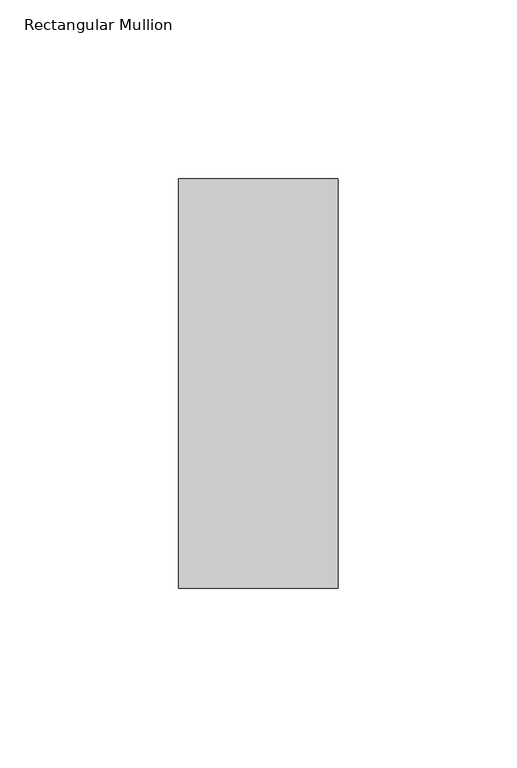
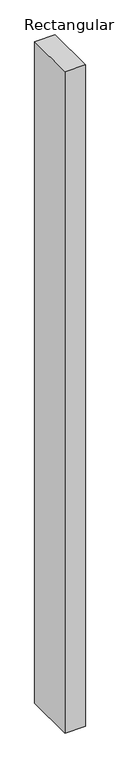
"""IFC4 building model written with IfcOpenShell, lengths in millimetres: member geometry, Rectangular Mullion."""

from ifc_helpers import new_model, si_unit, frame, origin, place, context, project, spatial, polyline, outline, extrude, source, transform, mapped, element, save


def rectangular_mullion_825618eb(model_context):
    return source(origin(), model_context, "Body", "SweptSolid", [
        extrude(outline(polyline([(0.0, 57.1373), (0.0, -57.1373), (-44.45, -57.1373), (-44.45, 57.1373), (0.0, 57.1373)])), frame((0.0, 0.0, -1524.0), z_axis=(0.0, 0.0, 1.0), x_axis=(1.0, 0.0, 0.0)), (0.0, 0.0, 1.0), 1524.0),
    ])


if __name__ == "__main__":
    model = new_model("IFC4")
    model_context = context("Model", 3, world=origin())
    ifc_project = project(units=[si_unit("LENGTHUNIT", "METRE", prefix="MILLI")], contexts=[model_context])
    site = spatial("IfcSite", under=ifc_project)
    building = spatial("IfcBuilding", under=site)
    placement = place(None, origin())
    rectangular_mullion_shape = rectangular_mullion_825618eb(model_context)
    element("IfcMember", 1, ObjectType="Rectangular Mullion", at=placement, inside=building, context=model_context, shape_type="MappedRepresentation", body=[
        mapped(rectangular_mullion_shape, transform((0.0, 0.0, 0.0), x_axis=(1.0, 0.0, 0.0), y_axis=(0.0, 1.0, 0.0), z_axis=(0.0, 0.0, 1.0))),
    ])
    save(model, "model.ifc")
